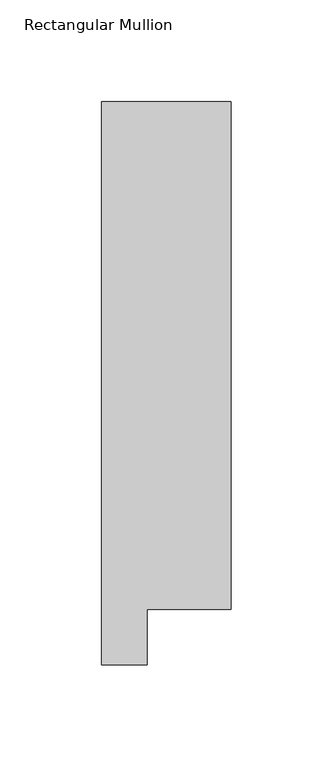
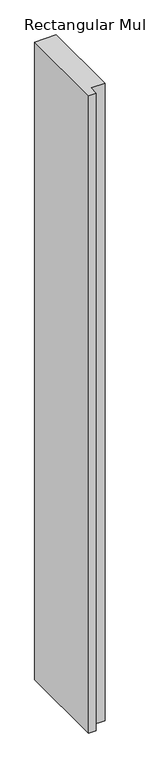
"""IFC4 building model written with IfcOpenShell, lengths in millimetres: member geometry, Rectangular Mullion."""

from ifc_helpers import new_model, si_unit, frame, origin, place, context, project, spatial, polyline, outline, extrude, source, transform, mapped, element, save


def rectangular_mullion_4ec12ec9(model_context):
    return source(origin(), model_context, "Body", "SweptSolid", [
        extrude(outline(polyline([(-31.75, 295.9695313), (31.75, 295.9695313), (31.75, 46.7447302), (-9.5377, 46.7447302), (-9.5377, 19.5667312), (-31.75, 19.5667312), (-31.75, 295.9695313)])), frame((0.0, 0.0, -1993.8999967), z_axis=(0.0, 0.0, 1.0), x_axis=(1.0, 0.0, 0.0)), (0.0, 0.0, 1.0), 1993.8999967),
    ])


if __name__ == "__main__":
    model = new_model("IFC4")
    model_context = context("Model", 3, world=origin())
    ifc_project = project(units=[si_unit("LENGTHUNIT", "METRE", prefix="MILLI")], contexts=[model_context])
    site = spatial("IfcSite", under=ifc_project)
    building = spatial("IfcBuilding", under=site)
    placement = place(None, origin())
    rectangular_mullion_shape = rectangular_mullion_4ec12ec9(model_context)
    element("IfcMember", 1, ObjectType="Rectangular Mullion", at=placement, inside=building, context=model_context, shape_type="MappedRepresentation", body=[
        mapped(rectangular_mullion_shape, transform((0.0, 0.0, 0.0), x_axis=(1.0, 0.0, 0.0), y_axis=(0.0, 1.0, 0.0), z_axis=(0.0, 0.0, 1.0))),
    ])
    save(model, "model.ifc")
